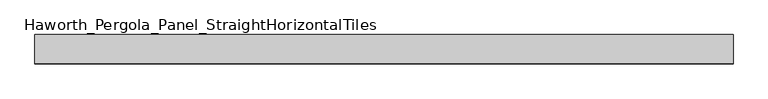
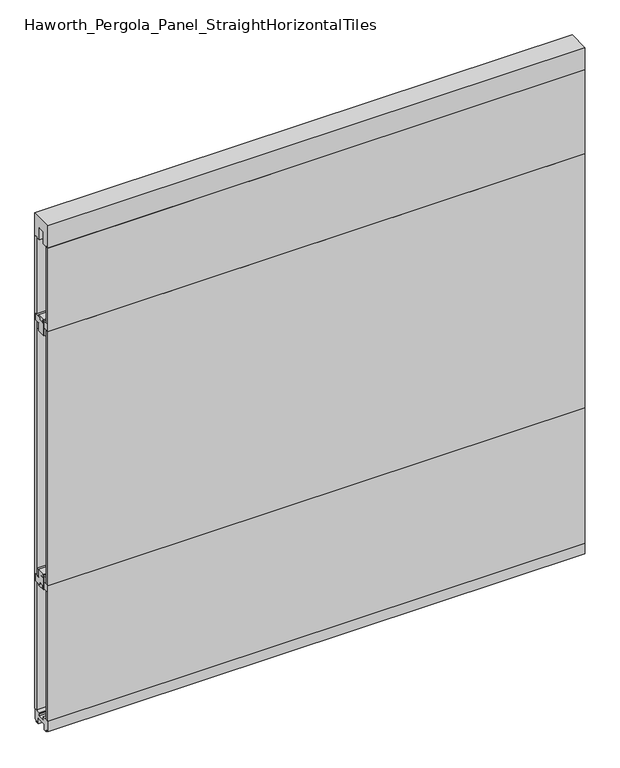
"""IFC4 building model written with IfcOpenShell, lengths in millimetres: furniture geometry, Haworth_Pergola_Panel_StraightHorizontalTiles."""

from ifc_helpers import new_model, si_unit, frame, origin, place, context, project, spatial, polyline, outline, extrude, source, transform, mapped, element, save


def haworth_pergola_panel_straighthorizontaltiles_6766273f(model_context):
    return source(origin(), model_context, "Body", "SweptSolid", [
        extrude(outline(polyline([(12.7, 679.45), (12.7, 692.15), (-12.7, 692.15), (-12.7, 679.45), (-44.45, 679.45), (-44.45, 711.2), (-19.05, 711.2), (-19.05, 749.3), (19.05, 749.3), (19.05, 711.2), (44.45, 711.2), (44.45, 679.45), (12.7, 679.45)])), frame((-1181.1, 0.0, 0.0), z_axis=(1.0, 0.0, 0.0), x_axis=(0.0, 1.0, 0.0)), (0.0, 0.0, 1.0), 2438.4),
        extrude(outline(polyline([(12.7, 1962.15), (44.45, 1962.15), (44.45, 1930.4), (19.05, 1930.4), (19.05, 1892.3), (-19.05, 1892.3), (-19.05, 1930.4), (-44.45, 1930.4), (-44.45, 1962.15), (-12.7, 1962.15), (-12.7, 1949.45), (12.7, 1949.45), (12.7, 1962.15)])), frame((-1181.1, 0.0, 0.0), z_axis=(1.0, 0.0, 0.0), x_axis=(0.0, 1.0, 0.0)), (0.0, 0.0, 1.0), 2438.4),
        extrude(outline(polyline([(-1181.1, 50.8), (1257.3, 50.8), (1257.3, 38.1), (-1181.1, 38.1), (-1181.1, 50.8)])), frame((0.0, 0.0, 711.2), z_axis=(0.0, 0.0, 1.0), x_axis=(1.0, 0.0, 0.0)), (0.0, 0.0, 1.0), 1219.2),
        extrude(outline(polyline([(-1181.1, -38.1), (1257.3, -38.1), (1257.3, -50.8), (-1181.1, -50.8), (-1181.1, -38.1)])), frame((0.0, 0.0, 711.2), z_axis=(0.0, 0.0, 1.0), x_axis=(1.0, 0.0, 0.0)), (0.0, 0.0, 1.0), 1219.2),
        extrude(outline(polyline([(12.7, 1898.65), (12.7, 1911.35), (-12.7, 1911.35), (-12.7, 1898.65), (-44.45, 1898.65), (-44.45, 1930.4), (-19.05, 1930.4), (-19.05, 1968.5), (19.05, 1968.5), (19.05, 1930.4), (44.45, 1930.4), (44.45, 1898.65), (12.7, 1898.65)])), frame((-1181.1, 0.0, 0.0), z_axis=(1.0, 0.0, 0.0), x_axis=(0.0, 1.0, 0.0)), (0.0, 0.0, 1.0), 2438.4),
        extrude(outline(polyline([(-1181.1, 50.8), (1257.3, 50.8), (1257.3, 38.1), (-1181.1, 38.1), (-1181.1, 50.8)])), frame((0.0, 0.0, 1930.4), z_axis=(0.0, 0.0, 1.0), x_axis=(1.0, 0.0, 0.0)), (0.0, 0.0, 1.0), 401.4390625),
        extrude(outline(polyline([(-1181.1, -38.1), (1257.3, -38.1), (1257.3, -50.8), (-1181.1, -50.8), (-1181.1, -38.1)])), frame((0.0, 0.0, 1930.4), z_axis=(0.0, 0.0, 1.0), x_axis=(1.0, 0.0, 0.0)), (0.0, 0.0, 1.0), 401.4390625),
        extrude(outline(polyline([(12.7, 742.95), (44.45, 742.95), (44.45, 711.2), (19.05, 711.2), (19.05, 673.1), (-19.05, 673.1), (-19.05, 711.2), (-44.45, 711.2), (-44.45, 742.95), (-12.7, 742.95), (-12.7, 730.25), (12.7, 730.25), (12.7, 742.95)])), frame((-1181.1, 0.0, 0.0), z_axis=(1.0, 0.0, 0.0), x_axis=(0.0, 1.0, 0.0)), (0.0, 0.0, 1.0), 2438.4),
        extrude(outline(polyline([(-1181.1, 50.8), (1257.3, 50.8), (1257.3, 38.1), (-1181.1, 38.1), (-1181.1, 50.8)])), frame((0.0, 0.0, 63.5), z_axis=(0.0, 0.0, 1.0), x_axis=(1.0, 0.0, 0.0)), (0.0, 0.0, 1.0), 647.7),
        extrude(outline(polyline([(-1181.1, -38.1), (1257.3, -38.1), (1257.3, -50.8), (-1181.1, -50.8), (-1181.1, -38.1)])), frame((0.0, 0.0, 63.5), z_axis=(0.0, 0.0, 1.0), x_axis=(1.0, 0.0, 0.0)), (0.0, 0.0, 1.0), 647.7),
        extrude(outline(polyline([(-50.8, 2438.4), (50.8, 2438.4), (50.8, 2331.8390625), (15.2182948, 2331.8390625), (15.2182948, 2388.7001663), (-15.2182948, 2388.7001663), (-15.2182948, 2331.8390625), (-50.8, 2331.8390625), (-50.8, 2438.4)])), frame((-1181.1, 0.0, 0.0), z_axis=(1.0, 0.0, 0.0), x_axis=(0.0, 1.0, 0.0)), (0.0, 0.0, 1.0), 2438.4),
        extrude(outline(polyline([(-16.2000002, 63.5), (-16.5085717, 61.7499999), (-13.3999996, 61.7499999), (-13.3999996, 58.8973461), (-15.4000002, 59.2499999), (-15.4000002, 48.3500004), (15.4000003, 48.3500004), (15.4000003, 59.2499999), (13.3999997, 58.8973461), (13.3999997, 61.7499999), (16.5085718, 61.7499999), (16.2000003, 63.5), (50.0000004, 63.5), (50.0000004, 12.6999985), (40.9499987, 12.6999985), (38.9499981, 10.6999979), (28.9499999, 10.6999979), (28.9499999, 7.6999994), (38.9499981, 7.6999994), (38.9499981, 5.6999988), (23.7499993, 5.6999988), (23.7499993, 31.4500009), (-23.7499992, 31.4500009), (-23.7499992, 5.6999988), (-38.949998, 5.6999988), (-38.949998, 7.6999994), (-28.9499998, 7.6999994), (-28.9499998, 10.6999979), (-38.949998, 10.6999979), (-40.9499986, 12.6999985), (-50.0000003, 12.6999985), (-50.0000003, 63.5), (-16.2000002, 63.5)])), frame((-1181.1, 0.0, 0.0), z_axis=(1.0, 0.0, 0.0), x_axis=(0.0, 1.0, 0.0)), (0.0, 0.0, 1.0), 2438.4),
    ])


if __name__ == "__main__":
    model = new_model("IFC4")
    model_context = context("Model", 3, world=origin())
    ifc_project = project(units=[si_unit("LENGTHUNIT", "METRE", prefix="MILLI")], contexts=[model_context])
    site = spatial("IfcSite", under=ifc_project)
    building = spatial("IfcBuilding", under=site)
    placement = place(None, origin())
    haworth_pergola_panel_straighthorizontaltiles_shape = haworth_pergola_panel_straighthorizontaltiles_6766273f(model_context)
    element("IfcFurniture", 1, ObjectType="Haworth_Pergola_Panel_StraightHorizontalTiles", at=placement, inside=building, context=model_context, shape_type="MappedRepresentation", body=[
        mapped(haworth_pergola_panel_straighthorizontaltiles_shape, transform((0.0, 0.0, 0.0), x_axis=(1.0, 0.0, 0.0), y_axis=(0.0, 1.0, 0.0), z_axis=(0.0, 0.0, 1.0))),
    ])
    save(model, "model.ifc")
